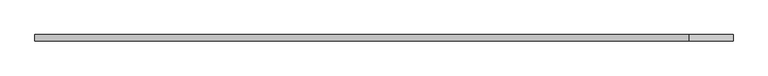
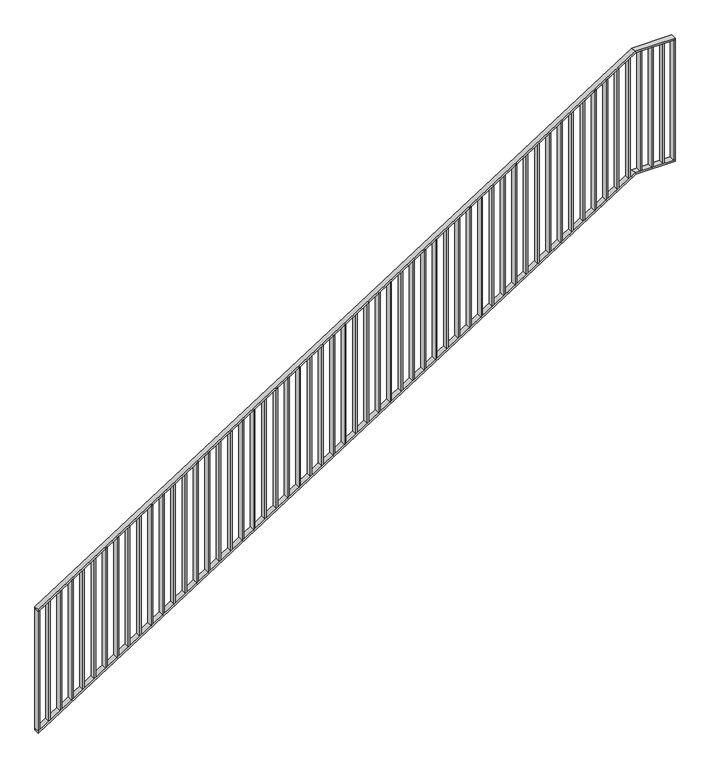
"""IFC4 building model written with IfcOpenShell, lengths in millimetres: railing geometry."""

from ifc_helpers import new_model, si_unit, frame, origin, place, context, project, spatial, polyline, outline, extrude, faceted_brep, source, transform, mapped, element, save


def railing_deee9f7b(model_context):
    return source(origin(), model_context, "Body", "SolidModel", [
        faceted_brep([(80020.0, 1014.6, 1178.125), (80020.0, 1014.6, 1166.2576574), (80020.0, 974.6, 1166.2576574), (80020.0, 974.6, 1178.125), (84201.25, 1014.6, 3850.0), (84204.1722273, 1014.6, 3840.0), (84204.1722273, 974.6, 3840.0), (84201.25, 974.6, 3850.0), (84480.0, 1014.6, 3850.0), (84480.0, 974.6, 3850.0), (84480.0, 974.6, 3840.0), (84480.0, 1014.6, 3840.0)], [[[0, 1, 2, 3]], [[1, 0, 4, 5]], [[2, 1, 5, 6]], [[3, 2, 6, 7]], [[0, 3, 7, 4]], [[8, 9, 10, 11]], [[5, 4, 8, 11]], [[6, 5, 11, 10]], [[7, 6, 10, 9]], [[4, 7, 9, 8]]]),
        faceted_brep([(80020.0, 1014.6, 278.125), (80020.0, 1014.6, 266.2576574), (80020.0, 974.6, 266.2576574), (80020.0, 974.6, 278.125), (84201.25, 1014.6, 2950.0), (84204.1722273, 1014.6, 2940.0), (84204.1722273, 974.6, 2940.0), (84201.25, 974.6, 2950.0), (84480.0, 1014.6, 2950.0), (84480.0, 974.6, 2950.0), (84480.0, 974.6, 2940.0), (84480.0, 1014.6, 2940.0)], [[[0, 1, 2, 3]], [[1, 0, 4, 5]], [[2, 1, 5, 6]], [[3, 2, 6, 7]], [[0, 3, 7, 4]], [[8, 9, 10, 11]], [[5, 4, 8, 11]], [[6, 5, 11, 10]], [[7, 6, 10, 9]], [[4, 7, 9, 8]]]),
        extrude(outline(polyline([(84395.3571429, 1014.6), (84405.3571429, 1014.6), (84405.3571429, 974.6), (84395.3571429, 974.6), (84395.3571429, 1014.6)])), frame((0.0, 0.0, 2950.0), z_axis=(0.0, 0.0, 1.0), x_axis=(1.0, 0.0, 0.0)), (0.0, 0.0, 1.0), 890.0),
        extrude(outline(polyline([(84315.7142857, 1014.6), (84325.7142857, 1014.6), (84325.7142857, 974.6), (84315.7142857, 974.6), (84315.7142857, 1014.6)])), frame((0.0, 0.0, 2950.0), z_axis=(0.0, 0.0, 1.0), x_axis=(1.0, 0.0, 0.0)), (0.0, 0.0, 1.0), 890.0),
        extrude(outline(polyline([(84236.0714286, 1014.6), (84246.0714286, 1014.6), (84246.0714286, 974.6), (84236.0714286, 974.6), (84236.0714286, 1014.6)])), frame((0.0, 0.0, 2950.0), z_axis=(0.0, 0.0, 1.0), x_axis=(1.0, 0.0, 0.0)), (0.0, 0.0, 1.0), 890.0),
        extrude(outline(polyline([(2921.3585042, 84156.4285714), (2927.7486387, 84166.4285714), (3817.7486387, 84166.4285714), (3811.3585042, 84156.4285714), (2921.3585042, 84156.4285714)])), frame((0.0, 974.6, 0.0), z_axis=(0.0, 1.0, 0.0), x_axis=(0.0, 0.0, 1.0)), (0.0, 0.0, 1.0), 40.0),
        extrude(outline(polyline([(2870.465647, 84076.7857143), (2876.8557816, 84086.7857143), (3766.8557816, 84086.7857143), (3760.465647, 84076.7857143), (2870.465647, 84076.7857143)])), frame((0.0, 974.6, 0.0), z_axis=(0.0, 1.0, 0.0), x_axis=(0.0, 0.0, 1.0)), (0.0, 0.0, 1.0), 40.0),
        extrude(outline(polyline([(2819.5727899, 83997.1428571), (2825.9629244, 84007.1428571), (3715.9629244, 84007.1428571), (3709.5727899, 83997.1428571), (2819.5727899, 83997.1428571)])), frame((0.0, 974.6, 0.0), z_axis=(0.0, 1.0, 0.0), x_axis=(0.0, 0.0, 1.0)), (0.0, 0.0, 1.0), 40.0),
        extrude(outline(polyline([(2768.6799327, 83917.5), (2775.0700673, 83927.5), (3665.0700673, 83927.5), (3658.6799327, 83917.5), (2768.6799327, 83917.5)])), frame((0.0, 974.6, 0.0), z_axis=(0.0, 1.0, 0.0), x_axis=(0.0, 0.0, 1.0)), (0.0, 0.0, 1.0), 40.0),
        extrude(outline(polyline([(2717.7870756, 83837.8571429), (2724.1772101, 83847.8571429), (3614.1772101, 83847.8571429), (3607.7870756, 83837.8571429), (2717.7870756, 83837.8571429)])), frame((0.0, 974.6, 0.0), z_axis=(0.0, 1.0, 0.0), x_axis=(0.0, 0.0, 1.0)), (0.0, 0.0, 1.0), 40.0),
        extrude(outline(polyline([(2666.8942184, 83758.2142857), (2673.284353, 83768.2142857), (3563.284353, 83768.2142857), (3556.8942184, 83758.2142857), (2666.8942184, 83758.2142857)])), frame((0.0, 974.6, 0.0), z_axis=(0.0, 1.0, 0.0), x_axis=(0.0, 0.0, 1.0)), (0.0, 0.0, 1.0), 40.0),
        extrude(outline(polyline([(2616.0013613, 83678.5714286), (2622.3914958, 83688.5714286), (3512.3914958, 83688.5714286), (3506.0013613, 83678.5714286), (2616.0013613, 83678.5714286)])), frame((0.0, 974.6, 0.0), z_axis=(0.0, 1.0, 0.0), x_axis=(0.0, 0.0, 1.0)), (0.0, 0.0, 1.0), 40.0),
        extrude(outline(polyline([(2565.1085042, 83598.9285714), (2571.4986387, 83608.9285714), (3461.4986387, 83608.9285714), (3455.1085042, 83598.9285714), (2565.1085042, 83598.9285714)])), frame((0.0, 974.6, 0.0), z_axis=(0.0, 1.0, 0.0), x_axis=(0.0, 0.0, 1.0)), (0.0, 0.0, 1.0), 40.0),
        extrude(outline(polyline([(2514.215647, 83519.2857143), (2520.6057816, 83529.2857143), (3410.6057816, 83529.2857143), (3404.215647, 83519.2857143), (2514.215647, 83519.2857143)])), frame((0.0, 974.6, 0.0), z_axis=(0.0, 1.0, 0.0), x_axis=(0.0, 0.0, 1.0)), (0.0, 0.0, 1.0), 40.0),
        extrude(outline(polyline([(2463.3227899, 83439.6428571), (2469.7129244, 83449.6428571), (3359.7129244, 83449.6428571), (3353.3227899, 83439.6428571), (2463.3227899, 83439.6428571)])), frame((0.0, 974.6, 0.0), z_axis=(0.0, 1.0, 0.0), x_axis=(0.0, 0.0, 1.0)), (0.0, 0.0, 1.0), 40.0),
        extrude(outline(polyline([(2412.4299327, 83360.0), (2418.8200673, 83370.0), (3308.8200673, 83370.0), (3302.4299327, 83360.0), (2412.4299327, 83360.0)])), frame((0.0, 974.6, 0.0), z_axis=(0.0, 1.0, 0.0), x_axis=(0.0, 0.0, 1.0)), (0.0, 0.0, 1.0), 40.0),
        extrude(outline(polyline([(2361.5370756, 83280.3571429), (2367.9272101, 83290.3571429), (3257.9272101, 83290.3571429), (3251.5370756, 83280.3571429), (2361.5370756, 83280.3571429)])), frame((0.0, 974.6, 0.0), z_axis=(0.0, 1.0, 0.0), x_axis=(0.0, 0.0, 1.0)), (0.0, 0.0, 1.0), 40.0),
        extrude(outline(polyline([(2310.6442184, 83200.7142857), (2317.034353, 83210.7142857), (3207.034353, 83210.7142857), (3200.6442184, 83200.7142857), (2310.6442184, 83200.7142857)])), frame((0.0, 974.6, 0.0), z_axis=(0.0, 1.0, 0.0), x_axis=(0.0, 0.0, 1.0)), (0.0, 0.0, 1.0), 40.0),
        extrude(outline(polyline([(2259.7513613, 83121.0714286), (2266.1414958, 83131.0714286), (3156.1414958, 83131.0714286), (3149.7513613, 83121.0714286), (2259.7513613, 83121.0714286)])), frame((0.0, 974.6, 0.0), z_axis=(0.0, 1.0, 0.0), x_axis=(0.0, 0.0, 1.0)), (0.0, 0.0, 1.0), 40.0),
        extrude(outline(polyline([(2208.8585042, 83041.4285714), (2215.2486387, 83051.4285714), (3105.2486387, 83051.4285714), (3098.8585042, 83041.4285714), (2208.8585042, 83041.4285714)])), frame((0.0, 974.6, 0.0), z_axis=(0.0, 1.0, 0.0), x_axis=(0.0, 0.0, 1.0)), (0.0, 0.0, 1.0), 40.0),
        extrude(outline(polyline([(2157.965647, 82961.7857143), (2164.3557816, 82971.7857143), (3054.3557816, 82971.7857143), (3047.965647, 82961.7857143), (2157.965647, 82961.7857143)])), frame((0.0, 974.6, 0.0), z_axis=(0.0, 1.0, 0.0), x_axis=(0.0, 0.0, 1.0)), (0.0, 0.0, 1.0), 40.0),
        extrude(outline(polyline([(2107.0727899, 82882.1428571), (2113.4629244, 82892.1428571), (3003.4629244, 82892.1428571), (2997.0727899, 82882.1428571), (2107.0727899, 82882.1428571)])), frame((0.0, 974.6, 0.0), z_axis=(0.0, 1.0, 0.0), x_axis=(0.0, 0.0, 1.0)), (0.0, 0.0, 1.0), 40.0),
        extrude(outline(polyline([(2056.1799327, 82802.5), (2062.5700673, 82812.5), (2952.5700673, 82812.5), (2946.1799327, 82802.5), (2056.1799327, 82802.5)])), frame((0.0, 974.6, 0.0), z_axis=(0.0, 1.0, 0.0), x_axis=(0.0, 0.0, 1.0)), (0.0, 0.0, 1.0), 40.0),
        extrude(outline(polyline([(2005.2870756, 82722.8571429), (2011.6772101, 82732.8571429), (2901.6772101, 82732.8571429), (2895.2870756, 82722.8571429), (2005.2870756, 82722.8571429)])), frame((0.0, 974.6, 0.0), z_axis=(0.0, 1.0, 0.0), x_axis=(0.0, 0.0, 1.0)), (0.0, 0.0, 1.0), 40.0),
        extrude(outline(polyline([(1954.3942184, 82643.2142857), (1960.784353, 82653.2142857), (2850.784353, 82653.2142857), (2844.3942184, 82643.2142857), (1954.3942184, 82643.2142857)])), frame((0.0, 974.6, 0.0), z_axis=(0.0, 1.0, 0.0), x_axis=(0.0, 0.0, 1.0)), (0.0, 0.0, 1.0), 40.0),
        extrude(outline(polyline([(1903.5013613, 82563.5714286), (1909.8914958, 82573.5714286), (2799.8914958, 82573.5714286), (2793.5013613, 82563.5714286), (1903.5013613, 82563.5714286)])), frame((0.0, 974.6, 0.0), z_axis=(0.0, 1.0, 0.0), x_axis=(0.0, 0.0, 1.0)), (0.0, 0.0, 1.0), 40.0),
        extrude(outline(polyline([(1852.6085042, 82483.9285714), (1858.9986387, 82493.9285714), (2748.9986387, 82493.9285714), (2742.6085042, 82483.9285714), (1852.6085042, 82483.9285714)])), frame((0.0, 974.6, 0.0), z_axis=(0.0, 1.0, 0.0), x_axis=(0.0, 0.0, 1.0)), (0.0, 0.0, 1.0), 40.0),
        extrude(outline(polyline([(1801.715647, 82404.2857143), (1808.1057816, 82414.2857143), (2698.1057816, 82414.2857143), (2691.715647, 82404.2857143), (1801.715647, 82404.2857143)])), frame((0.0, 974.6, 0.0), z_axis=(0.0, 1.0, 0.0), x_axis=(0.0, 0.0, 1.0)), (0.0, 0.0, 1.0), 40.0),
        extrude(outline(polyline([(1750.8227899, 82324.6428571), (1757.2129244, 82334.6428571), (2647.2129244, 82334.6428571), (2640.8227899, 82324.6428571), (1750.8227899, 82324.6428571)])), frame((0.0, 974.6, 0.0), z_axis=(0.0, 1.0, 0.0), x_axis=(0.0, 0.0, 1.0)), (0.0, 0.0, 1.0), 40.0),
        extrude(outline(polyline([(1699.9299327, 82245.0), (1706.3200673, 82255.0), (2596.3200673, 82255.0), (2589.9299327, 82245.0), (1699.9299327, 82245.0)])), frame((0.0, 974.6, 0.0), z_axis=(0.0, 1.0, 0.0), x_axis=(0.0, 0.0, 1.0)), (0.0, 0.0, 1.0), 40.0),
        extrude(outline(polyline([(1649.0370756, 82165.3571429), (1655.4272101, 82175.3571429), (2545.4272101, 82175.3571429), (2539.0370756, 82165.3571429), (1649.0370756, 82165.3571429)])), frame((0.0, 974.6, 0.0), z_axis=(0.0, 1.0, 0.0), x_axis=(0.0, 0.0, 1.0)), (0.0, 0.0, 1.0), 40.0),
        extrude(outline(polyline([(1598.1442184, 82085.7142857), (1604.534353, 82095.7142857), (2494.534353, 82095.7142857), (2488.1442184, 82085.7142857), (1598.1442184, 82085.7142857)])), frame((0.0, 974.6, 0.0), z_axis=(0.0, 1.0, 0.0), x_axis=(0.0, 0.0, 1.0)), (0.0, 0.0, 1.0), 40.0),
        extrude(outline(polyline([(1547.2513613, 82006.0714286), (1553.6414958, 82016.0714286), (2443.6414958, 82016.0714286), (2437.2513613, 82006.0714286), (1547.2513613, 82006.0714286)])), frame((0.0, 974.6, 0.0), z_axis=(0.0, 1.0, 0.0), x_axis=(0.0, 0.0, 1.0)), (0.0, 0.0, 1.0), 40.0),
        extrude(outline(polyline([(1496.3585042, 81926.4285714), (1502.7486387, 81936.4285714), (2392.7486387, 81936.4285714), (2386.3585042, 81926.4285714), (1496.3585042, 81926.4285714)])), frame((0.0, 974.6, 0.0), z_axis=(0.0, 1.0, 0.0), x_axis=(0.0, 0.0, 1.0)), (0.0, 0.0, 1.0), 40.0),
        extrude(outline(polyline([(1445.465647, 81846.7857143), (1451.8557816, 81856.7857143), (2341.8557816, 81856.7857143), (2335.465647, 81846.7857143), (1445.465647, 81846.7857143)])), frame((0.0, 974.6, 0.0), z_axis=(0.0, 1.0, 0.0), x_axis=(0.0, 0.0, 1.0)), (0.0, 0.0, 1.0), 40.0),
        extrude(outline(polyline([(1394.5727899, 81767.1428571), (1400.9629244, 81777.1428571), (2290.9629244, 81777.1428571), (2284.5727899, 81767.1428571), (1394.5727899, 81767.1428571)])), frame((0.0, 974.6, 0.0), z_axis=(0.0, 1.0, 0.0), x_axis=(0.0, 0.0, 1.0)), (0.0, 0.0, 1.0), 40.0),
        extrude(outline(polyline([(1343.6799327, 81687.5), (1350.0700673, 81697.5), (2240.0700673, 81697.5), (2233.6799327, 81687.5), (1343.6799327, 81687.5)])), frame((0.0, 974.6, 0.0), z_axis=(0.0, 1.0, 0.0), x_axis=(0.0, 0.0, 1.0)), (0.0, 0.0, 1.0), 40.0),
        extrude(outline(polyline([(1292.7870756, 81607.8571429), (1299.1772101, 81617.8571429), (2189.1772101, 81617.8571429), (2182.7870756, 81607.8571429), (1292.7870756, 81607.8571429)])), frame((0.0, 974.6, 0.0), z_axis=(0.0, 1.0, 0.0), x_axis=(0.0, 0.0, 1.0)), (0.0, 0.0, 1.0), 40.0),
        extrude(outline(polyline([(1241.8942184, 81528.2142857), (1248.284353, 81538.2142857), (2138.284353, 81538.2142857), (2131.8942184, 81528.2142857), (1241.8942184, 81528.2142857)])), frame((0.0, 974.6, 0.0), z_axis=(0.0, 1.0, 0.0), x_axis=(0.0, 0.0, 1.0)), (0.0, 0.0, 1.0), 40.0),
        extrude(outline(polyline([(1191.0013613, 81448.5714286), (1197.3914958, 81458.5714286), (2087.3914958, 81458.5714286), (2081.0013613, 81448.5714286), (1191.0013613, 81448.5714286)])), frame((0.0, 974.6, 0.0), z_axis=(0.0, 1.0, 0.0), x_axis=(0.0, 0.0, 1.0)), (0.0, 0.0, 1.0), 40.0),
        extrude(outline(polyline([(1140.1085042, 81368.9285714), (1146.4986387, 81378.9285714), (2036.4986387, 81378.9285714), (2030.1085042, 81368.9285714), (1140.1085042, 81368.9285714)])), frame((0.0, 974.6, 0.0), z_axis=(0.0, 1.0, 0.0), x_axis=(0.0, 0.0, 1.0)), (0.0, 0.0, 1.0), 40.0),
        extrude(outline(polyline([(1089.215647, 81289.2857143), (1095.6057816, 81299.2857143), (1985.6057816, 81299.2857143), (1979.215647, 81289.2857143), (1089.215647, 81289.2857143)])), frame((0.0, 974.6, 0.0), z_axis=(0.0, 1.0, 0.0), x_axis=(0.0, 0.0, 1.0)), (0.0, 0.0, 1.0), 40.0),
        extrude(outline(polyline([(1038.3227899, 81209.6428571), (1044.7129244, 81219.6428571), (1934.7129244, 81219.6428571), (1928.3227899, 81209.6428571), (1038.3227899, 81209.6428571)])), frame((0.0, 974.6, 0.0), z_axis=(0.0, 1.0, 0.0), x_axis=(0.0, 0.0, 1.0)), (0.0, 0.0, 1.0), 40.0),
        extrude(outline(polyline([(987.4299327, 81130.0), (993.8200673, 81140.0), (1883.8200673, 81140.0), (1877.4299327, 81130.0), (987.4299327, 81130.0)])), frame((0.0, 974.6, 0.0), z_axis=(0.0, 1.0, 0.0), x_axis=(0.0, 0.0, 1.0)), (0.0, 0.0, 1.0), 40.0),
        extrude(outline(polyline([(936.5370756, 81050.3571429), (942.9272101, 81060.3571429), (1832.9272101, 81060.3571429), (1826.5370756, 81050.3571429), (936.5370756, 81050.3571429)])), frame((0.0, 974.6, 0.0), z_axis=(0.0, 1.0, 0.0), x_axis=(0.0, 0.0, 1.0)), (0.0, 0.0, 1.0), 40.0),
        extrude(outline(polyline([(885.6442184, 80970.7142857), (892.034353, 80980.7142857), (1782.034353, 80980.7142857), (1775.6442184, 80970.7142857), (885.6442184, 80970.7142857)])), frame((0.0, 974.6, 0.0), z_axis=(0.0, 1.0, 0.0), x_axis=(0.0, 0.0, 1.0)), (0.0, 0.0, 1.0), 40.0),
        extrude(outline(polyline([(834.7513613, 80891.0714286), (841.1414958, 80901.0714286), (1731.1414958, 80901.0714286), (1724.7513613, 80891.0714286), (834.7513613, 80891.0714286)])), frame((0.0, 974.6, 0.0), z_axis=(0.0, 1.0, 0.0), x_axis=(0.0, 0.0, 1.0)), (0.0, 0.0, 1.0), 40.0),
        extrude(outline(polyline([(783.8585042, 80811.4285714), (790.2486387, 80821.4285714), (1680.2486387, 80821.4285714), (1673.8585042, 80811.4285714), (783.8585042, 80811.4285714)])), frame((0.0, 974.6, 0.0), z_axis=(0.0, 1.0, 0.0), x_axis=(0.0, 0.0, 1.0)), (0.0, 0.0, 1.0), 40.0),
        extrude(outline(polyline([(732.965647, 80731.7857143), (739.3557816, 80741.7857143), (1629.3557816, 80741.7857143), (1622.965647, 80731.7857143), (732.965647, 80731.7857143)])), frame((0.0, 974.6, 0.0), z_axis=(0.0, 1.0, 0.0), x_axis=(0.0, 0.0, 1.0)), (0.0, 0.0, 1.0), 40.0),
        extrude(outline(polyline([(682.0727899, 80652.1428571), (688.4629244, 80662.1428571), (1578.4629244, 80662.1428571), (1572.0727899, 80652.1428571), (682.0727899, 80652.1428571)])), frame((0.0, 974.6, 0.0), z_axis=(0.0, 1.0, 0.0), x_axis=(0.0, 0.0, 1.0)), (0.0, 0.0, 1.0), 40.0),
        extrude(outline(polyline([(631.1799327, 80572.5), (637.5700673, 80582.5), (1527.5700673, 80582.5), (1521.1799327, 80572.5), (631.1799327, 80572.5)])), frame((0.0, 974.6, 0.0), z_axis=(0.0, 1.0, 0.0), x_axis=(0.0, 0.0, 1.0)), (0.0, 0.0, 1.0), 40.0),
        extrude(outline(polyline([(580.2870756, 80492.8571429), (586.6772101, 80502.8571429), (1476.6772101, 80502.8571429), (1470.2870756, 80492.8571429), (580.2870756, 80492.8571429)])), frame((0.0, 974.6, 0.0), z_axis=(0.0, 1.0, 0.0), x_axis=(0.0, 0.0, 1.0)), (0.0, 0.0, 1.0), 40.0),
        extrude(outline(polyline([(529.3942184, 80413.2142857), (535.784353, 80423.2142857), (1425.784353, 80423.2142857), (1419.3942184, 80413.2142857), (529.3942184, 80413.2142857)])), frame((0.0, 974.6, 0.0), z_axis=(0.0, 1.0, 0.0), x_axis=(0.0, 0.0, 1.0)), (0.0, 0.0, 1.0), 40.0),
        extrude(outline(polyline([(478.5013613, 80333.5714286), (484.8914958, 80343.5714286), (1374.8914958, 80343.5714286), (1368.5013613, 80333.5714286), (478.5013613, 80333.5714286)])), frame((0.0, 974.6, 0.0), z_axis=(0.0, 1.0, 0.0), x_axis=(0.0, 0.0, 1.0)), (0.0, 0.0, 1.0), 40.0),
        extrude(outline(polyline([(427.6085042, 80253.9285714), (433.9986387, 80263.9285714), (1323.9986387, 80263.9285714), (1317.6085042, 80253.9285714), (427.6085042, 80253.9285714)])), frame((0.0, 974.6, 0.0), z_axis=(0.0, 1.0, 0.0), x_axis=(0.0, 0.0, 1.0)), (0.0, 0.0, 1.0), 40.0),
        extrude(outline(polyline([(376.715647, 80174.2857143), (383.1057816, 80184.2857143), (1273.1057816, 80184.2857143), (1266.715647, 80174.2857143), (376.715647, 80174.2857143)])), frame((0.0, 974.6, 0.0), z_axis=(0.0, 1.0, 0.0), x_axis=(0.0, 0.0, 1.0)), (0.0, 0.0, 1.0), 40.0),
        extrude(outline(polyline([(325.8227899, 80094.6428571), (332.2129244, 80104.6428571), (1222.2129244, 80104.6428571), (1215.8227899, 80094.6428571), (325.8227899, 80094.6428571)])), frame((0.0, 974.6, 0.0), z_axis=(0.0, 1.0, 0.0), x_axis=(0.0, 0.0, 1.0)), (0.0, 0.0, 1.0), 40.0),
        extrude(outline(polyline([(84470.0, 1014.6), (84480.0, 1014.6), (84480.0, 974.6), (84470.0, 974.6), (84470.0, 1014.6)])), frame((0.0, 0.0, 2950.0), z_axis=(0.0, 0.0, 1.0), x_axis=(1.0, 0.0, 0.0)), (0.0, 0.0, 1.0), 890.0),
        extrude(outline(polyline([(278.125, 80020.0), (284.5151345, 80030.0), (1174.5151345, 80030.0), (1168.125, 80020.0), (278.125, 80020.0)])), frame((0.0, 974.6, 0.0), z_axis=(0.0, 1.0, 0.0), x_axis=(0.0, 0.0, 1.0)), (0.0, 0.0, 1.0), 40.0),
    ])


if __name__ == "__main__":
    model = new_model("IFC4")
    model_context = context("Model", 3, world=origin())
    ifc_project = project(units=[si_unit("LENGTHUNIT", "METRE", prefix="MILLI")], contexts=[model_context])
    site = spatial("IfcSite", under=ifc_project)
    building = spatial("IfcBuilding", under=site)
    placement = place(None, origin())
    railing_shape = railing_deee9f7b(model_context)
    element("IfcRailing", 1, at=placement, inside=building, context=model_context, shape_type="MappedRepresentation", body=[
        mapped(railing_shape, transform((0.0, 0.0, 0.0), x_axis=(1.0, 0.0, 0.0), y_axis=(0.0, 1.0, 0.0), z_axis=(0.0, 0.0, 1.0))),
    ])
    save(model, "model.ifc")
